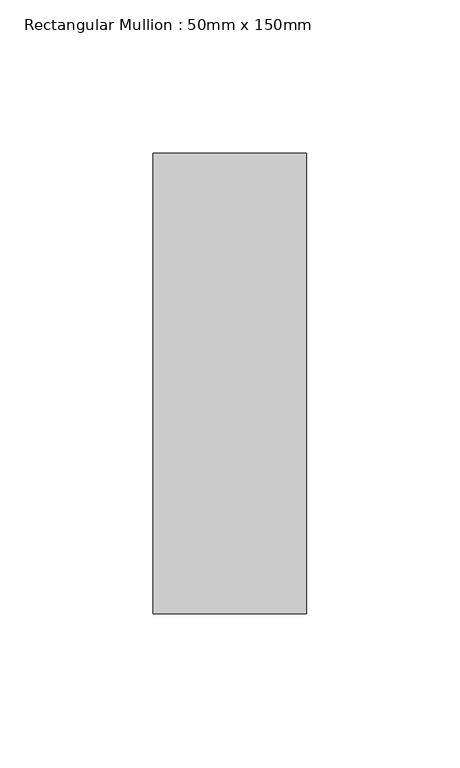
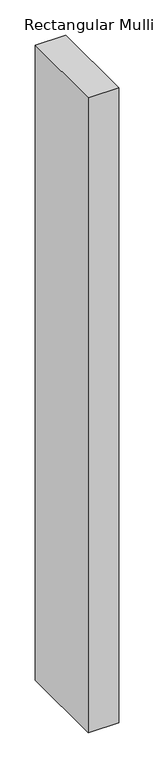
"""IFC4 building model written with IfcOpenShell, lengths in millimetres: member geometry, Rectangular Mullion : 50mm x 150mm."""

from ifc_helpers import new_model, si_unit, frame, origin, place, context, project, spatial, polyline, outline, extrude, source, transform, mapped, element, save


def rectangular_mullion_50mm_x_150mm_0b7842ad(model_context):
    return source(origin(), model_context, "Body", "SweptSolid", [
        extrude(outline(polyline([(25.0, 75.0), (25.0, -75.0), (-25.0, -75.0), (-25.0, 75.0), (25.0, 75.0)])), frame((0.0, 0.0, -1100.0), z_axis=(0.0, 0.0, 1.0), x_axis=(1.0, 0.0, 0.0)), (0.0, 0.0, 1.0), 1100.0),
    ])


if __name__ == "__main__":
    model = new_model("IFC4")
    model_context = context("Model", 3, world=origin())
    ifc_project = project(units=[si_unit("LENGTHUNIT", "METRE", prefix="MILLI")], contexts=[model_context])
    site = spatial("IfcSite", under=ifc_project)
    building = spatial("IfcBuilding", under=site)
    placement = place(None, origin())
    rectangular_mullion_50mm_x_150mm_shape = rectangular_mullion_50mm_x_150mm_0b7842ad(model_context)
    element("IfcMember", 1, ObjectType="Rectangular Mullion : 50mm x 150mm", at=placement, inside=building, context=model_context, shape_type="MappedRepresentation", body=[
        mapped(rectangular_mullion_50mm_x_150mm_shape, transform((0.0, 0.0, 0.0), x_axis=(1.0, 0.0, 0.0), y_axis=(0.0, 1.0, 0.0), z_axis=(0.0, 0.0, 1.0))),
    ])
    save(model, "model.ifc")
